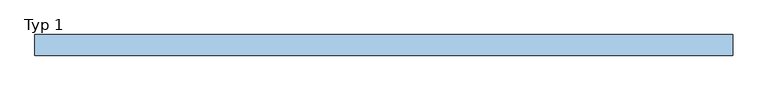
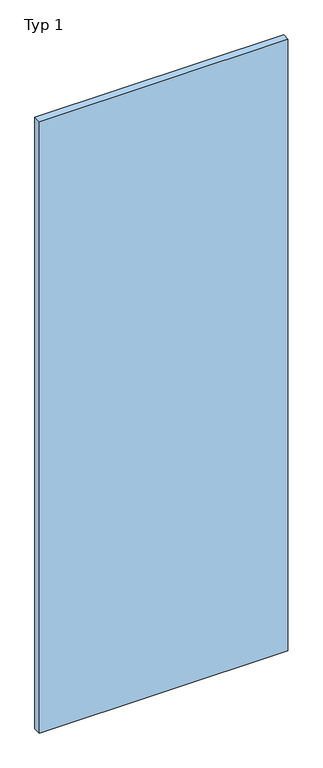
"""IFC4 building model written with IfcOpenShell, lengths in millimetres: window geometry, Typ 1."""

from ifc_helpers import new_model, si_unit, origin, origin_with_axes, place, context, project, spatial, polyline, outline, extrude, source, transform, mapped, element, save


def typ_1_20924fce(model_context):
    return source(origin(), model_context, "Body", "SweptSolid", [
        extrude(outline(polyline([(625.0, 170.0), (-375.0, 170.0), (-375.0, 200.0), (625.0, 200.0), (625.0, 170.0)])), origin_with_axes(), (0.0, 0.0, 1.0), 2600.0),
    ])


if __name__ == "__main__":
    model = new_model("IFC4")
    model_context = context("Model", 3, world=origin())
    ifc_project = project(units=[si_unit("LENGTHUNIT", "METRE", prefix="MILLI")], contexts=[model_context])
    site = spatial("IfcSite", under=ifc_project)
    building = spatial("IfcBuilding", under=site)
    placement = place(None, origin())
    typ_1_shape = typ_1_20924fce(model_context)
    element("IfcWindow", 1, ObjectType="Typ 1", at=placement, inside=building, context=model_context, shape_type="MappedRepresentation", body=[
        mapped(typ_1_shape, transform((0.0, 0.0, 0.0), x_axis=(1.0, 0.0, 0.0), y_axis=(0.0, 1.0, 0.0), z_axis=(0.0, 0.0, 1.0))),
    ])
    save(model, "model.ifc")
